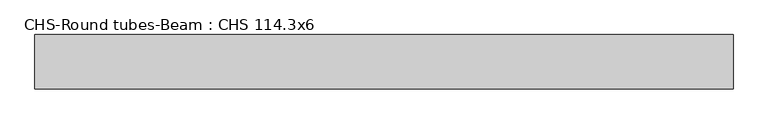
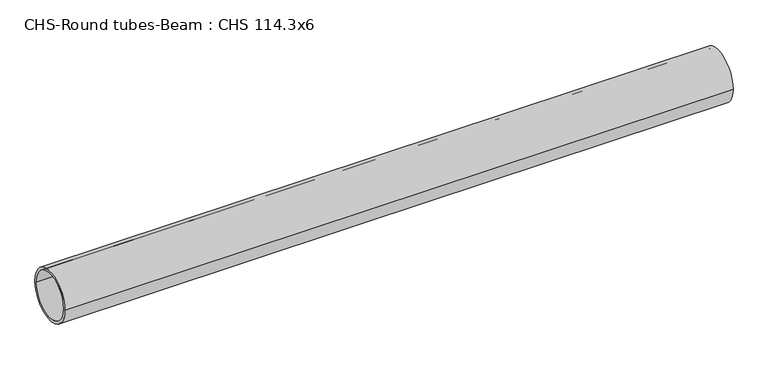
"""IFC4 building model written with IfcOpenShell, lengths in millimetres: beam geometry, CHS-Round tubes-Beam : CHS 114.3x6."""

from ifc_helpers import new_model, si_unit, point, frame, origin, origin_2d, place, context, project, spatial, circle_curve, trimmed, segment, composite_curve, outline, extrude, source, transform, mapped, element, save


def chs_round_tubes_beam_chs_114_3x6_7a12de1b(model_context):
    return source(origin(), model_context, "Body", "SweptSolid", [
        extrude(outline(composite_curve([segment(trimmed(circle_curve(origin_2d(), 57.15), [point((57.15, 0.0))], [point((-57.15, 0.0))], False, "CARTESIAN"), True, "CONTINUOUS"), segment(trimmed(circle_curve(origin_2d(), 57.15), [point((-57.15, 0.0))], [point((57.15, 0.0))], False, "CARTESIAN"), True, "CONTINUOUS")], self_intersect=False), holes=[composite_curve([segment(trimmed(circle_curve(origin_2d(), 51.15), [point((51.15, 0.0))], [point((-51.15, 0.0))], True, "CARTESIAN"), True, "CONTINUOUS"), segment(trimmed(circle_curve(origin_2d(), 51.15), [point((-51.15, 0.0))], [point((51.15, 0.0))], True, "CARTESIAN"), True, "CONTINUOUS")], self_intersect=False)]), frame((-727.5522758, 0.0, 0.0), z_axis=(1.0, 0.0, 0.0), x_axis=(0.0, 1.0, 0.0)), (0.0, 0.0, 1.0), 1472.1480521),
    ])


if __name__ == "__main__":
    model = new_model("IFC4")
    model_context = context("Model", 3, world=origin())
    ifc_project = project(units=[si_unit("LENGTHUNIT", "METRE", prefix="MILLI")], contexts=[model_context])
    site = spatial("IfcSite", under=ifc_project)
    building = spatial("IfcBuilding", under=site)
    placement = place(None, origin())
    chs_round_tubes_beam_chs_114_3x6_shape = chs_round_tubes_beam_chs_114_3x6_7a12de1b(model_context)
    element("IfcBeam", 1, ObjectType="CHS-Round tubes-Beam : CHS 114.3x6", at=placement, inside=building, context=model_context, shape_type="MappedRepresentation", body=[
        mapped(chs_round_tubes_beam_chs_114_3x6_shape, transform((0.0, 0.0, 0.0), x_axis=(1.0, 0.0, 0.0), y_axis=(0.0, 1.0, 0.0), z_axis=(0.0, 0.0, 1.0))),
    ])
    save(model, "model.ifc")
